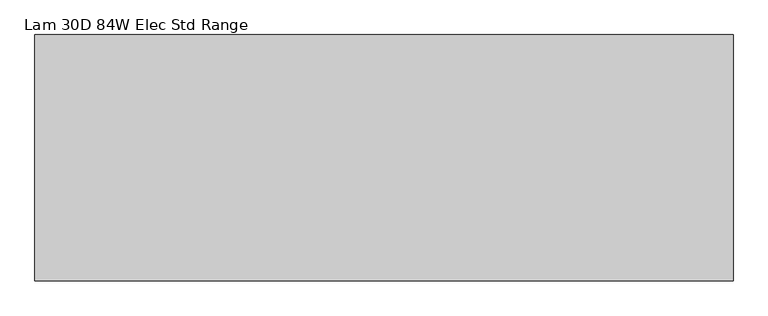
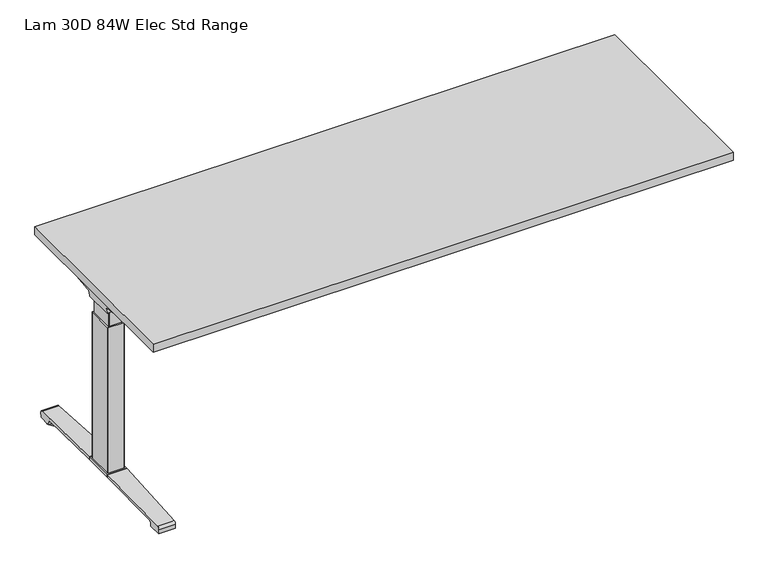
"""IFC4 building model written with IfcOpenShell, lengths in millimetres: furniture geometry, Lam 30D 84W Elec Std Range."""

from ifc_helpers import new_model, si_unit, point, frame, frame_2d, origin, place, context, project, spatial, polyline, circle_curve, ellipse_curve, trimmed, segment, composite_curve, outline, extrude, source, transform, mapped, element, save
from ifc_brep_helpers import plane_surface, cylinder_surface, revolved_surface, advanced_brep


def lam_30d_84w_elec_std_range_1bb2c0d5(model_context):
    return source(origin(), model_context, "Body", "SolidModel", [
        extrude(outline(polyline([(1039.876, 366.776), (1039.876, -366.776), (-1039.876, -366.776), (-1039.876, 366.776), (1039.876, 366.776)])), frame((0.0, 0.0, 707.009), z_axis=(0.0, 0.0, 1.0), x_axis=(1.0, 0.0, 0.0)), (0.0, 0.0, 1.0), 29.591),
        advanced_brep(
        [(-1023.5406297, 53.5092702, 658.5915733), (-857.8122138, 53.5092702, 658.5915733), (-872.1924181, 51.2808169, 655.9442785), (-1021.0518591, 51.2808169, 655.9442785), (-1023.7625278, 53.518256, 658.8276054), (-1026.1619089, 54.1622827, 675.7443054), (-843.3773962, 54.1622827, 675.7443054), (-843.3773962, 53.8142965, 666.6037253), (-846.2075093, 53.7331058, 664.4710821), (-846.3501644, 53.6554397, 662.4310191), (-1027.0185362, 59.6293181, 681.7839076), (-843.3773962, 59.6293181, 681.7839076), (-1029.5393767, 174.2005225, 699.5569507), (-965.3243442, 174.2005225, 699.5569507), (-843.3773962, 93.3958, 687.0219877), (-1029.6128152, 177.9765275, 700.0747243), (-971.0229255, 177.9765275, 700.0747243), (-1030.2871296, 179.4867839, 704.8289399), (-1028.5021288, 176.9098888, 707.009), (-969.4132011, 176.9098888, 707.009), (-1030.2871296, -179.4867839, 704.8289399), (-1029.6128152, -177.9765275, 700.0747243), (-971.0229255, -177.9765275, 700.0747243), (-969.4132011, -176.9098888, 707.009), (-1028.5021288, -176.9098888, 707.009), (-1029.5393767, -174.2005225, 699.5569507), (-965.3243442, -174.2005225, 699.5569507), (-1027.0185362, -59.6293181, 681.7839076), (-843.3773962, -59.6293181, 681.7839076), (-843.3773962, -93.3958, 687.0219877), (-1026.1619089, -54.1622827, 675.7443054), (-843.3773962, -54.1622827, 675.7443054), (-1023.7625278, -53.518256, 658.8276054), (-1023.5406297, -53.5092702, 658.5915733), (-857.8122138, -53.5092702, 658.5915733), (-846.3501644, -53.6554397, 662.4310191), (-846.2075093, -53.7331058, 664.4710821), (-843.3773962, -53.8142965, 666.6037253), (-1021.0518591, -51.2808169, 655.9442785), (-872.1924181, -51.2808169, 655.9442785), (-843.3773962, -93.3958, 707.009), (-843.3773962, 93.3958, 707.009)],
        [
            (0, 1),
            (1, 2, ellipse_curve(frame((-882.0936465, 130.5470009, 750.1086722), z_axis=(0.0, 0.7650318638532662, -0.6439924279750482), x_axis=(0.0, 0.6439924279750482, 0.7650318638532662)), 123.7641411, 94.6835116)),
            (2, 3),
            (3, 0),
            (0, 4),
            (4, 5),
            (5, 6),
            (6, 7),
            (7, 8),
            (8, 9),
            (9, 1, ellipse_curve(frame((-882.0936465, 56.9933686, 750.1086722), z_axis=(0.0, 0.999276106683639, -0.03804290487316255), x_axis=(0.0, 0.03804290487316397, 0.999276106683639)), 94.752102, 94.6835116)),
            (5, 10, ellipse_curve(frame((-1026.1119691, 60.6208409, 675.3922075), z_axis=(-0.990090671484964, 0.0, -0.14042956326377007), x_axis=(-0.1404295632637696, 0.0, 0.990090671484964)), 6.5328852, 6.4681487)),
            (10, 11),
            (11, 6, circle_curve(frame((-843.3773962, 60.6208409, 675.3922075), z_axis=(1.0, 0.0, 0.0), x_axis=(0.0, 1.0, 0.0)), 6.4681487)),
            (10, 12),
            (12, 13),
            (13, 14),
            (14, 11),
            (12, 15),
            (15, 16),
            (16, 13),
            (15, 17, ellipse_curve(frame((-1030.0730772, 175.9994111, 703.3197755), z_axis=(0.990090671484964, 0.0, 0.14042956326377007), x_axis=(0.1404295632637696, 0.0, -0.990090671484964)), 3.8379455, 3.7999141)),
            (17, 18, ellipse_curve(frame((-1031.522811, 175.9994111, 703.3197755), z_axis=(0.7737284588433301, 0.0, -0.6335173809580328), x_axis=(0.6335173809580328, 0.0, 0.77372845884333)), 4.9111727, 3.7999141)),
            (18, 19),
            (19, 16, ellipse_curve(frame((-968.039148, 175.9994111, 703.3197755), z_axis=(-0.5523637579768177, -0.8336031902972346, 0.0), x_axis=(0.8336031902972346, -0.5523637579768177, 0.0)), 6.8793689, 3.7999141)),
            (20, 21, ellipse_curve(frame((-1030.0730772, -175.9994111, 703.3197755), z_axis=(0.990090671484964, 0.0, 0.14042956326377007), x_axis=(0.1404295632637696, 0.0, -0.990090671484964)), 3.8379455, 3.7999141)),
            (21, 22),
            (22, 23, ellipse_curve(frame((-968.039148, -175.9994111, 703.3197755), z_axis=(-0.5523637579750422, 0.8336031902984112, 0.0), x_axis=(0.8336031902984111, 0.5523637579750423, 0.0)), 6.8793689, 3.7999141)),
            (23, 24),
            (24, 20, ellipse_curve(frame((-1031.522811, -175.9994111, 703.3197755), z_axis=(0.7737284588433301, 0.0, -0.6335173809580328), x_axis=(0.6335173809580328, 0.0, 0.77372845884333)), 4.9111727, 3.7999141)),
            (21, 25),
            (25, 26),
            (26, 22),
            (27, 28),
            (28, 29),
            (29, 26),
            (25, 27),
            (27, 30, ellipse_curve(frame((-1026.1119691, -60.6208409, 675.3922075), z_axis=(-0.990090671484964, 0.0, -0.14042956326377007), x_axis=(-0.1404295632637696, 0.0, 0.990090671484964)), 6.5328852, 6.4681487)),
            (30, 31),
            (31, 28, circle_curve(frame((-843.3773962, -60.6208409, 675.3922075), z_axis=(1.0, 0.0, 0.0), x_axis=(0.0, 1.0, 0.0)), 6.4681487)),
            (30, 32),
            (32, 33),
            (33, 34),
            (34, 35, ellipse_curve(frame((-882.0936465, -56.9933686, 750.1086722), z_axis=(0.0, -0.9992761066836363, -0.03804290487323539), x_axis=(0.0, 0.03804290487323121, -0.9992761066836364)), 94.752102, 94.6835116)),
            (35, 36),
            (36, 37),
            (37, 31),
            (33, 38),
            (38, 39),
            (39, 34, ellipse_curve(frame((-882.0936465, -130.5470009, 750.1086722), z_axis=(0.0, -0.7650318638534733, -0.643992427974802), x_axis=(0.0, 0.643992427974802, -0.7650318638534732)), 123.7641411, 94.6835116)),
            (4, 32),
            (20, 17),
            (24, 18),
            (23, 40),
            (40, 41),
            (41, 19),
            (37, 7),
            (14, 41),
            (40, 29),
            (36, 8),
            (35, 9),
            (39, 2),
            (38, 3),
        ],
        [
            plane_surface(frame((-1046.5773962, 51.2808169, 655.9442785), z_axis=(0.0, 0.7650318638532662, -0.6439924279750482), x_axis=(1.0, 0.0, 0.0))),
            plane_surface(frame((-1046.5773962, 53.5092702, 658.5915733), z_axis=(0.0, 0.999276106683639, -0.03804290487316255), x_axis=(1.0, 0.0, 0.0))),
            revolved_surface(polyline([(-1027.0293793154883, 67.08898959999999, 675.3922075), (-843.3773962, 67.08898959999999, 675.3922075)]), (-1046.5773962, 60.6208409, 675.3922075), (-1.0, 0.0, 0.0)),
            plane_surface(frame((-1046.5773962, 59.6293181, 681.7839076), z_axis=(0.0, 0.153293135871396, -0.9881807600306302), x_axis=(1.0, 0.0, 0.0))),
            plane_surface(frame((-1046.5773962, 174.2005225, 699.5569507), z_axis=(0.0, 0.13585085469026903, -0.9907292996979162), x_axis=(1.0, 0.0, 0.0))),
            cylinder_surface(frame((-1046.5773962, 175.9994111, 703.3197755), z_axis=(1.0, 0.0, 0.0), x_axis=(0.0, 1.0, 0.0)), 3.7999141),
            cylinder_surface(frame((-1046.5773962, -175.9994111, 703.3197755), z_axis=(1.0, 0.0, 0.0), x_axis=(0.0, 1.0, 0.0)), 3.7999141),
            plane_surface(frame((-1046.5773962, -177.9765275, 700.0747243), z_axis=(0.0, -0.13585085468791205, -0.9907292996982394), x_axis=(1.0, 0.0, 0.0))),
            plane_surface(frame((-1046.5773962, -174.2005225, 699.5569507), z_axis=(0.0, -0.1532931358714066, -0.9881807600306285), x_axis=(1.0, 0.0, 0.0))),
            revolved_surface(polyline([(-1027.0293793154883, -54.1526922, 675.3922075), (-843.3773962, -54.1526922, 675.3922075)]), (-1046.5773962, -60.6208409, 675.3922075), (-1.0, 0.0, 0.0)),
            plane_surface(frame((-1046.5773962, -54.1622827, 675.7443054), z_axis=(0.0, -0.9992761066836363, -0.03804290487323539), x_axis=(1.0, 0.0, 0.0))),
            plane_surface(frame((-1046.5773962, -53.5092702, 658.5915733), z_axis=(0.0, -0.7650318638534733, -0.643992427974802), x_axis=(1.0, 0.0, 0.0))),
            plane_surface(frame((-1023.7625278, 190.5, 658.8276054), z_axis=(-0.990090671484964, 0.0, -0.14042956326377007), x_axis=(0.0, -1.0, 0.0))),
            plane_surface(frame((-1030.2871296, 190.5, 704.8289399), z_axis=(-0.7737284588433301, 0.0, 0.6335173809580328), x_axis=(0.0, -1.0, 0.0))),
            plane_surface(frame((-1028.5021288, 190.5, 707.009), z_axis=(0.0, 0.0, 1.0), x_axis=(0.0, -1.0, 0.0))),
            plane_surface(frame((-843.3773962, 190.5, 707.009), z_axis=(1.0, 0.0, 0.0), x_axis=(0.0, -1.0, 0.0))),
            plane_surface(frame((-843.3773962, 190.5, 666.6037253), z_axis=(0.6018150231516275, 0.0, -0.7986355100476099), x_axis=(0.0, -1.0, 0.0))),
            plane_surface(frame((-846.2075093, 190.5, 664.4710821), z_axis=(0.9975640502600351, 0.0, -0.06975647374110874), x_axis=(0.0, -1.0, 0.0))),
            cylinder_surface(frame((-882.0936465, 190.5, 750.1086722), z_axis=(0.0, 1.0, 0.0), x_axis=(1.0, 0.0, 0.0)), 94.6835116),
            plane_surface(frame((-872.1924181, 190.5, 655.9442785), z_axis=(0.0, 0.0, -1.0), x_axis=(0.0, -1.0, 0.0))),
            plane_surface(frame((-1021.0518591, 190.5, 655.9442785), z_axis=(-0.728584606419653, 0.0, -0.6849558170337118), x_axis=(0.0, -1.0, 0.0))),
            plane_surface(frame((-989.9228017, 190.5, 707.009), z_axis=(0.5523637579768177, 0.8336031902972346, 0.0), x_axis=(0.0, 0.0, -1.0))),
            plane_surface(frame((-843.3773962, -93.3958, 707.009), z_axis=(0.5523637579750422, -0.8336031902984112, 0.0), x_axis=(0.0, 0.0, -1.0))),
        ],
        [
            (0, [[1, 2, 3, 4]]),
            (1, [[-1, 5, 6, 7, 8, 9, 10, 11]]),
            (2, [[-7, 12, 13, 14]]),
            (3, [[-13, 15, 16, 17, 18]]),
            (4, [[19, 20, 21, -16]]),
            (5, [[22, 23, 24, 25, -20]]),
            (6, [[26, 27, 28, 29, 30]]),
            (7, [[31, 32, 33, -27]]),
            (8, [[34, 35, 36, -32, 37]]),
            (9, [[-34, 38, 39, 40]]),
            (10, [[-39, 41, 42, 43, 44, 45, 46, 47]]),
            (11, [[-43, 48, 49, 50]]),
            (12, [[51, -41, -38, -37, -31, -26, 52, -22, -19, -15, -12, -6]]),
            (13, [[-52, -30, 53, -23]]),
            (14, [[-53, -29, 54, 55, 56, -24]]),
            (15, [[57, -8, -14, -18, 58, -55, 59, -35, -40, -47]]),
            (16, [[-57, -46, 60, -9]]),
            (17, [[-60, -45, 61, -10]]),
            (18, [[-61, -44, -50, 62, -2, -11]]),
            (19, [[-62, -49, 63, -3]]),
            (20, [[-51, -5, -4, -63, -48, -42]]),
            (21, [[-56, -58, -17, -21, -25]]),
            (22, [[-54, -28, -33, -36, -59]]),
        ],
    ),
        advanced_brep(
        [(857.8122138, 53.5092702, 658.5915733), (1023.5406297, 53.5092702, 658.5915733), (1021.0518591, 51.2808169, 655.9442785), (872.1924181, 51.2808169, 655.9442785), (846.3501644, 53.6554397, 662.4310191), (846.2075093, 53.7331058, 664.4710821), (843.5619573, 53.8090018, 666.4646485), (843.5619573, 54.1622827, 675.7443054), (1026.1619089, 54.1622827, 675.7443054), (1023.7625278, 53.518256, 658.8276054), (843.5619573, 59.6293181, 681.7839076), (1027.0185362, 59.6293181, 681.7839076), (843.5619573, 93.3889953, 687.0209321), (965.3570453, 174.2005225, 699.5569507), (1029.5393767, 174.2005225, 699.5569507), (1029.6128152, 177.9765275, 700.0747243), (971.0480509, 177.9765275, 700.0747243), (1030.2871296, 179.4867839, 704.8289399), (969.4404665, 176.9098888, 707.009), (1028.5021288, 176.9098888, 707.009), (1029.6128152, -177.9765275, 700.0747243), (1030.2871296, -179.4867839, 704.8289399), (1028.5021288, -176.9098888, 707.009), (969.4404665, -176.9098888, 707.009), (971.0480509, -177.9765275, 700.0747243), (1029.5393767, -174.2005225, 699.5569507), (965.3570453, -174.2005225, 699.5569507), (843.5619573, -59.6293181, 681.7839076), (1027.0185362, -59.6293181, 681.7839076), (843.5619573, -93.3889953, 687.0209321), (843.5619573, -54.1622827, 675.7443054), (1026.1619089, -54.1622827, 675.7443054), (843.5619573, -53.8090018, 666.4646485), (846.2075093, -53.7331058, 664.4710821), (846.3501644, -53.6554397, 662.4310191), (857.8122138, -53.5092702, 658.5915733), (1023.5406297, -53.5092702, 658.5915733), (1023.7625278, -53.518256, 658.8276054), (872.1924181, -51.2808169, 655.9442785), (1021.0518591, -51.2808169, 655.9442785), (843.5619573, 93.3889953, 707.009), (843.5619573, -93.3889953, 707.009)],
        [
            (0, 1),
            (1, 2),
            (2, 3),
            (3, 0, ellipse_curve(frame((882.0936465, 130.5470009, 750.1086722), z_axis=(0.0, 0.7650318638532565, -0.6439924279750596), x_axis=(0.0, -0.6439924279750596, -0.7650318638532564)), 123.7641411, 94.6835116)),
            (0, 4, ellipse_curve(frame((882.0936465, 56.9933686, 750.1086722), z_axis=(0.0, 0.9992761066836392, -0.03804290487315862), x_axis=(0.0, -0.03804290487315623, -0.9992761066836393)), 94.752102, 94.6835116)),
            (4, 5),
            (5, 6),
            (6, 7),
            (7, 8),
            (8, 9),
            (9, 1),
            (7, 10, circle_curve(frame((843.5619573, 60.6208409, 675.3922075), z_axis=(-1.0, 0.0, 0.0), x_axis=(0.0, 1.0, 0.0)), 6.4681487)),
            (10, 11),
            (11, 8, ellipse_curve(frame((1026.1119691, 60.6208409, 675.3922075), z_axis=(0.9900906714849659, 0.0, -0.1404295632637567), x_axis=(-0.1404295632637562, 0.0, -0.9900906714849659)), 6.5328852, 6.4681487)),
            (10, 12),
            (12, 13),
            (13, 14),
            (14, 11),
            (15, 14),
            (13, 16),
            (16, 15),
            (17, 15, ellipse_curve(frame((1030.0730772, 175.9994111, 703.3197755), z_axis=(-0.9900906714849659, 0.0, 0.1404295632637567), x_axis=(0.1404295632637562, 0.0, 0.9900906714849659)), 3.8379455, 3.7999141)),
            (16, 18, ellipse_curve(frame((968.06824, 175.9994111, 703.3197755), z_axis=(0.5528743936295489, -0.8332646067539162, 0.0), x_axis=(0.8332646067539162, 0.5528743936295489, 0.0)), 6.8730151, 3.7999141)),
            (18, 19),
            (19, 17, ellipse_curve(frame((1031.522811, 175.9994111, 703.3197755), z_axis=(-0.7737284588399557, 0.0, -0.633517380962154), x_axis=(0.6335173809621538, 0.0, -0.7737284588399556)), 4.9111727, 3.7999141)),
            (20, 21, ellipse_curve(frame((1030.0730772, -175.9994111, 703.3197755), z_axis=(-0.9900906714849659, 0.0, 0.1404295632637567), x_axis=(0.1404295632637562, 0.0, 0.9900906714849659)), 3.8379455, 3.7999141)),
            (21, 22, ellipse_curve(frame((1031.522811, -175.9994111, 703.3197755), z_axis=(-0.7737284588399557, 0.0, -0.633517380962154), x_axis=(0.6335173809621538, 0.0, -0.7737284588399556)), 4.9111727, 3.7999141)),
            (22, 23),
            (23, 24, ellipse_curve(frame((968.06824, -175.9994111, 703.3197755), z_axis=(0.552874393629534, 0.8332646067539262, 0.0), x_axis=(0.8332646067539261, -0.552874393629534, 0.0)), 6.8730151, 3.7999141)),
            (24, 20),
            (25, 20),
            (24, 26),
            (26, 25),
            (27, 28),
            (28, 25),
            (26, 29),
            (29, 27),
            (27, 30, circle_curve(frame((843.5619573, -60.6208409, 675.3922075), z_axis=(-1.0, 0.0, 0.0), x_axis=(0.0, 1.0, 0.0)), 6.4681487)),
            (30, 31),
            (31, 28, ellipse_curve(frame((1026.1119691, -60.6208409, 675.3922075), z_axis=(0.9900906714849659, 0.0, -0.1404295632637567), x_axis=(-0.1404295632637562, 0.0, -0.9900906714849659)), 6.5328852, 6.4681487)),
            (30, 32),
            (32, 33),
            (33, 34),
            (34, 35, ellipse_curve(frame((882.0936465, -56.9933686, 750.1086722), z_axis=(0.0, -0.9992761066836363, -0.03804290487323539), x_axis=(0.0, -0.03804290487323121, 0.9992761066836364)), 94.752102, 94.6835116)),
            (35, 36),
            (36, 37),
            (37, 31),
            (35, 38, ellipse_curve(frame((882.0936465, -130.5470009, 750.1086722), z_axis=(0.0, -0.7650318638534733, -0.643992427974802), x_axis=(0.0, -0.643992427974802, 0.7650318638534732)), 123.7641411, 94.6835116)),
            (38, 39),
            (39, 36),
            (37, 9),
            (17, 21),
            (19, 22),
            (18, 40),
            (40, 41),
            (41, 23),
            (6, 32),
            (29, 41),
            (40, 12),
            (5, 33),
            (4, 34),
            (3, 38),
            (2, 39),
        ],
        [
            plane_surface(frame((843.5619573, 51.2808169, 655.9442785), z_axis=(0.0, 0.7650318638532565, -0.6439924279750596), x_axis=(1.0, 0.0, 0.0))),
            plane_surface(frame((843.5619573, 53.5092702, 658.5915733), z_axis=(0.0, 0.9992761066836392, -0.03804290487315862), x_axis=(1.0, 0.0, 0.0))),
            revolved_surface(polyline([(843.5619573, 67.08898959999999, 675.3922075), (1027.029379315488, 67.08898959999999, 675.3922075)]), (843.5619573, 60.6208409, 675.3922075), (-1.0, 0.0, 0.0)),
            plane_surface(frame((843.5619573, 59.6293181, 681.7839076), z_axis=(0.0, 0.15329313587140309, -0.988180760030629), x_axis=(1.0, 0.0, 0.0))),
            plane_surface(frame((843.5619573, 174.2005225, 699.5569507), z_axis=(0.0, 0.1358508546900816, -0.9907292996979419), x_axis=(1.0, 0.0, 0.0))),
            cylinder_surface(frame((843.5619573, 175.9994111, 703.3197755), z_axis=(1.0, 0.0, 0.0), x_axis=(0.0, 1.0, 0.0)), 3.7999141),
            cylinder_surface(frame((843.5619573, -175.9994111, 703.3197755), z_axis=(1.0, 0.0, 0.0), x_axis=(0.0, 1.0, 0.0)), 3.7999141),
            plane_surface(frame((843.5619573, -177.9765275, 700.0747243), z_axis=(0.0, -0.1358508546877776, -0.9907292996982578), x_axis=(1.0, 0.0, 0.0))),
            plane_surface(frame((843.5619573, -174.2005225, 699.5569507), z_axis=(0.0, -0.15329313587141113, -0.9881807600306277), x_axis=(1.0, 0.0, 0.0))),
            revolved_surface(polyline([(843.5619573, -54.1526922, 675.3922075), (1027.029379315488, -54.1526922, 675.3922075)]), (843.5619573, -60.6208409, 675.3922075), (-1.0, 0.0, 0.0)),
            plane_surface(frame((843.5619573, -54.1622827, 675.7443054), z_axis=(0.0, -0.9992761066836363, -0.03804290487323539), x_axis=(1.0, 0.0, 0.0))),
            plane_surface(frame((843.5619573, -53.5092702, 658.5915733), z_axis=(0.0, -0.7650318638534733, -0.643992427974802), x_axis=(1.0, 0.0, 0.0))),
            plane_surface(frame((1023.7625278, -190.5, 658.8276054), z_axis=(0.9900906714849659, 0.0, -0.1404295632637567), x_axis=(0.0, 1.0, 0.0))),
            plane_surface(frame((1030.2871296, -190.5, 704.8289399), z_axis=(0.7737284588399557, 0.0, 0.633517380962154), x_axis=(0.0, 1.0, 0.0))),
            plane_surface(frame((1028.5021288, -190.5, 707.009), z_axis=(0.0, 0.0, 1.0), x_axis=(0.0, 1.0, 0.0))),
            plane_surface(frame((843.5619573, -190.5, 707.009), z_axis=(-1.0, 0.0, 0.0), x_axis=(0.0, 1.0, 0.0))),
            plane_surface(frame((843.5619573, -190.5, 666.4646485), z_axis=(-0.6018150231540728, 0.0, -0.7986355100457674), x_axis=(0.0, 1.0, 0.0))),
            plane_surface(frame((846.2075093, -190.5, 664.4710821), z_axis=(-0.9975640502598242, 0.0, -0.06975647374412697), x_axis=(0.0, 1.0, 0.0))),
            cylinder_surface(frame((882.0936465, -190.5, 750.1086722), z_axis=(0.0, -1.0, 0.0), x_axis=(-1.0, 0.0, 0.0)), 94.6835116),
            plane_surface(frame((872.1924181, -190.5, 655.9442785), z_axis=(0.0, 0.0, -1.0), x_axis=(0.0, 1.0, 0.0))),
            plane_surface(frame((1021.0518591, -190.5, 655.9442785), z_axis=(0.7285846064222866, 0.0, -0.6849558170309101), x_axis=(0.0, 1.0, 0.0))),
            plane_surface(frame((843.5619573, 93.3889953, 707.009), z_axis=(-0.5528743936295489, 0.8332646067539162, 0.0), x_axis=(0.0, 0.0, -1.0))),
            plane_surface(frame((989.9228017, -190.5, 707.009), z_axis=(-0.552874393629534, -0.8332646067539262, 0.0), x_axis=(0.0, 0.0, -1.0))),
        ],
        [
            (0, [[1, 2, 3, 4]]),
            (1, [[-1, 5, 6, 7, 8, 9, 10, 11]]),
            (2, [[-9, 12, 13, 14]]),
            (3, [[-13, 15, 16, 17, 18]]),
            (4, [[19, -17, 20, 21]]),
            (5, [[22, -21, 23, 24, 25]]),
            (6, [[26, 27, 28, 29, 30]]),
            (7, [[31, -30, 32, 33]]),
            (8, [[34, 35, -33, 36, 37]]),
            (9, [[-34, 38, 39, 40]]),
            (10, [[-39, 41, 42, 43, 44, 45, 46, 47]]),
            (11, [[-45, 48, 49, 50]]),
            (12, [[51, -10, -14, -18, -19, -22, 52, -26, -31, -35, -40, -47]]),
            (13, [[-52, -25, 53, -27]]),
            (14, [[-53, -24, 54, 55, 56, -28]]),
            (15, [[57, -41, -38, -37, 58, -55, 59, -15, -12, -8]]),
            (16, [[-57, -7, 60, -42]]),
            (17, [[-60, -6, 61, -43]]),
            (18, [[-61, -5, -4, 62, -48, -44]]),
            (19, [[-62, -3, 63, -49]]),
            (20, [[-51, -46, -50, -63, -2, -11]]),
            (21, [[-54, -23, -20, -16, -59]]),
            (22, [[-56, -58, -36, -32, -29]]),
        ],
    ),
        advanced_brep(
        [(-843.3773962, 78.6831697, 701.7794894), (-843.3773962, 80.4475242, 704.0075511), (-843.3773962, 91.4281225, 704.0075511), (-843.3773962, 92.1582919, 701.4093085), (-843.3773962, 70.7319108, 671.8462148), (-843.3773962, 53.3310914, 663.2452863), (-843.3773962, -53.4567844, 663.2452863), (-843.3773962, -71.0845783, 672.2997482), (-843.3773962, -92.4192862, 702.0706054), (-843.3773962, -90.7807234, 704.1266572), (-843.3773962, -80.5655902, 704.1266572), (-843.3773962, -78.6946152, 701.7794894), (-843.3773962, -79.4358363, 701.2423822), (-843.3773962, -81.0060637, 703.2122572), (-843.3773962, -90.6846762, 703.2122572), (-843.3773962, -91.4905649, 702.3444366), (-843.3773962, -70.3413256, 672.8323858), (-843.3773962, -53.4567844, 664.1598536), (-843.3773962, 53.3310914, 664.1596863), (-843.3773962, 69.99844, 672.3923713), (-843.3773962, 91.3521627, 701.8552144), (-843.3773962, 91.0948942, 703.0931511), (-843.3773962, 80.889809, 703.0931511), (-843.3773962, 79.4242719, 701.2424419), (843.5619573, 78.6831697, 701.7794894), (843.5619573, 79.4242719, 701.2424419), (843.5619573, 80.889809, 703.0931511), (843.5619573, 91.0948942, 703.0931511), (843.5619573, 91.3521627, 701.8552144), (843.5619573, 69.99844, 672.3923713), (843.5619573, 53.3310914, 664.1596863), (843.5619573, -53.4567845, 664.1596863), (843.5619573, -70.3413256, 672.8323858), (843.5619573, -91.4905649, 702.3444366), (843.5619573, -90.6846762, 703.2122572), (843.5619573, -81.0060637, 703.2122572), (843.5619573, -79.4358363, 701.2423822), (843.5619573, -78.6946152, 701.7794894), (843.5619573, -80.5655902, 704.1266572), (843.5619573, -90.7807234, 704.1266572), (843.5619573, -92.4192862, 702.0706054), (843.5619573, -71.0845783, 672.2997482), (843.5619573, -53.4567844, 663.2454536), (843.5619573, 53.3310914, 663.2452863), (843.5619573, 70.7319108, 671.8462148), (843.5619573, 92.1582919, 701.4093085), (843.5619573, 91.4281225, 704.0075511), (843.5619573, 80.4475242, 704.0075511)],
        [
            (0, 1),
            (1, 2),
            (2, 3, circle_curve(frame((-843.3773962, 90.2105576, 702.2636667), z_axis=(-1.0, 0.0, 0.0), x_axis=(0.0, 1.0, 0.0)), 2.1268749)),
            (3, 4),
            (4, 5, circle_curve(frame((-843.3773962, 53.3310914, 685.1478336), z_axis=(-1.0, 0.0, 0.0), x_axis=(0.0, 1.0, 0.0)), 21.9025472)),
            (5, 6),
            (6, 7, circle_curve(frame((-843.3773962, -53.4567844, 684.932365), z_axis=(-1.0, 0.0, 0.0), x_axis=(0.0, 1.0, 0.0)), 21.6869114)),
            (7, 8),
            (8, 9, circle_curve(frame((-843.3773962, -90.4189365, 702.1573833), z_axis=(-1.0, 0.0, 0.0), x_axis=(0.0, 1.0, 0.0)), 2.0022311)),
            (9, 10),
            (10, 11),
            (11, 12),
            (12, 13),
            (13, 14),
            (14, 15, circle_curve(frame((-843.3773962, -90.4189365, 702.1573833), z_axis=(1.0, 0.0, 0.0), x_axis=(0.0, 1.0, 0.0)), 1.0878311)),
            (15, 16),
            (16, 17, circle_curve(frame((-843.3773962, -53.4567844, 684.932365), z_axis=(1.0, 0.0, 0.0), x_axis=(0.0, 1.0, 0.0)), 20.7725114)),
            (17, 18),
            (18, 19, circle_curve(frame((-843.3773962, 53.3310914, 685.1478336), z_axis=(1.0, 0.0, 0.0), x_axis=(0.0, 1.0, 0.0)), 20.9881473)),
            (19, 20),
            (20, 21, circle_curve(frame((-843.3773962, 90.2105576, 702.2636667), z_axis=(1.0, 0.0, 0.0), x_axis=(0.0, 1.0, 0.0)), 1.2124749)),
            (21, 22),
            (22, 23),
            (23, 0),
            (24, 25),
            (25, 26),
            (26, 27),
            (27, 28, circle_curve(frame((843.5619573, 90.2105576, 702.2636667), z_axis=(-1.0, 0.0, 0.0), x_axis=(0.0, 1.0, 0.0)), 1.2124749)),
            (28, 29),
            (29, 30, circle_curve(frame((843.5619573, 53.3310914, 685.1478336), z_axis=(-1.0, 0.0, 0.0), x_axis=(0.0, 1.0, 0.0)), 20.9881473)),
            (30, 31),
            (31, 32, circle_curve(frame((843.5619573, -53.4567844, 684.932365), z_axis=(-1.0, 0.0, 0.0), x_axis=(0.0, 1.0, 0.0)), 20.7725114)),
            (32, 33),
            (33, 34, circle_curve(frame((843.5619573, -90.4189365, 702.1573833), z_axis=(-1.0, 0.0, 0.0), x_axis=(0.0, 1.0, 0.0)), 1.0878311)),
            (34, 35),
            (35, 36),
            (36, 37),
            (37, 38),
            (38, 39),
            (39, 40, circle_curve(frame((843.5619573, -90.4189365, 702.1573833), z_axis=(1.0, 0.0, 0.0), x_axis=(0.0, 1.0, 0.0)), 2.0022311)),
            (40, 41),
            (41, 42, circle_curve(frame((843.5619573, -53.4567844, 684.932365), z_axis=(1.0, 0.0, 0.0), x_axis=(0.0, 1.0, 0.0)), 21.6869114)),
            (42, 43),
            (43, 44, circle_curve(frame((843.5619573, 53.3310914, 685.1478336), z_axis=(1.0, 0.0, 0.0), x_axis=(0.0, 1.0, 0.0)), 21.9025472)),
            (44, 45),
            (45, 46, circle_curve(frame((843.5619573, 90.2105576, 702.2636667), z_axis=(1.0, 0.0, 0.0), x_axis=(0.0, 1.0, 0.0)), 2.1268749)),
            (46, 47),
            (47, 24),
            (0, 24),
            (47, 1),
            (46, 2),
            (45, 3),
            (44, 4),
            (43, 5),
            (42, 6),
            (41, 7),
            (40, 8),
            (39, 9),
            (38, 10),
            (37, 11),
            (36, 12),
            (35, 13),
            (34, 14),
            (33, 15),
            (32, 16),
            (31, 17),
            (30, 18),
            (29, 19),
            (28, 20),
            (27, 21),
            (26, 22),
            (25, 23),
        ],
        [
            plane_surface(frame((-843.3773962, 0.0, 707.009), z_axis=(-1.0, 0.0, 0.0), x_axis=(0.0, 0.0, 1.0))),
            plane_surface(frame((843.5619573, 0.0, 707.009), z_axis=(1.0, 0.0, 0.0), x_axis=(0.0, 0.0, 1.0))),
            plane_surface(frame((-843.3773962, 78.6831697, 701.7794894), z_axis=(0.0, -0.7839649337165058, 0.6208051084703434), x_axis=(1.0, 0.0, 0.0))),
            plane_surface(frame((-843.3773962, 80.4475242, 704.0075511), z_axis=(0.0, 0.0, 1.0), x_axis=(1.0, 0.0, 0.0))),
            cylinder_surface(frame((-843.3773962, 90.2105576, 702.2636667), z_axis=(-1.0, 0.0, 0.0), x_axis=(0.0, 1.0, 0.0)), 2.1268749),
            plane_surface(frame((-843.3773962, 92.1582919, 701.4093085), z_axis=(0.0, 0.8096997445281038, -0.586844377762217), x_axis=(1.0, 0.0, 0.0))),
            cylinder_surface(frame((-843.3773962, 53.3310914, 685.1478336), z_axis=(-1.0, 0.0, 0.0), x_axis=(0.0, 1.0, 0.0)), 21.9025472),
            plane_surface(frame((-843.3773962, 53.3310914, 663.2452863), z_axis=(0.0, 0.0, -1.0), x_axis=(1.0, 0.0, 0.0))),
            cylinder_surface(frame((-843.3773962, -53.4567844, 684.932365), z_axis=(-1.0, 0.0, 0.0), x_axis=(0.0, 1.0, 0.0)), 21.6869114),
            plane_surface(frame((-843.3773962, -71.0845783, 672.2997482), z_axis=(0.0, -0.8128309997561537, -0.5824995844079305), x_axis=(1.0, 0.0, 0.0))),
            cylinder_surface(frame((-843.3773962, -90.4189365, 702.1573833), z_axis=(-1.0, 0.0, 0.0), x_axis=(0.0, 1.0, 0.0)), 2.0022311),
            plane_surface(frame((-843.3773962, -90.7807234, 704.1266572), z_axis=(0.0, 0.0, 1.0), x_axis=(1.0, 0.0, 0.0))),
            plane_surface(frame((-843.3773962, -80.5655902, 704.1266572), z_axis=(0.0, 0.7819660587237972, 0.6233210112004657), x_axis=(1.0, 0.0, 0.0))),
            plane_surface(frame((-843.3773962, -78.6946152, 701.7794894), z_axis=(0.0, 0.5867684336468096, -0.8097547809526473), x_axis=(1.0, 0.0, 0.0))),
            plane_surface(frame((-843.3773962, -79.4358363, 701.2423822), z_axis=(0.0, -0.7819660587239206, -0.6233210112003109), x_axis=(1.0, 0.0, 0.0))),
            plane_surface(frame((-843.3773962, -81.0060637, 703.2122572), z_axis=(0.0, 0.0, -1.0), x_axis=(1.0, 0.0, 0.0))),
            revolved_surface(polyline([(843.5619572999999, -89.3311054, 702.1573833), (-843.3773962, -89.3311054, 702.1573833)]), (-843.3773962, -90.4189365, 702.1573833), (1.0, 0.0, 0.0)),
            plane_surface(frame((-843.3773962, -91.4905649, 702.3444366), z_axis=(0.0, 0.8128309996716102, 0.582499584525904), x_axis=(1.0, 0.0, 0.0))),
            revolved_surface(polyline([(843.5619572999999, -32.684273, 684.932365), (-843.3773962, -32.684273, 684.932365)]), (-843.3773962, -53.4567844, 684.932365), (1.0, 0.0, 0.0)),
            plane_surface(frame((-843.3773962, -53.4567845, 664.1596863), z_axis=(0.0, 0.0, 1.0), x_axis=(1.0, 0.0, 0.0))),
            revolved_surface(polyline([(843.5619572999999, 74.3192387, 685.1478336), (-843.3773962, 74.3192387, 685.1478336)]), (-843.3773962, 53.3310914, 685.1478336), (1.0, 0.0, 0.0)),
            plane_surface(frame((-843.3773962, 69.99844, 672.3923713), z_axis=(0.0, -0.8096997449536107, 0.5868443771751228), x_axis=(1.0, 0.0, 0.0))),
            revolved_surface(polyline([(843.5619572999999, 91.4230325, 702.2636667), (-843.3773962, 91.4230325, 702.2636667)]), (-843.3773962, 90.2105576, 702.2636667), (1.0, 0.0, 0.0)),
            plane_surface(frame((-843.3773962, 91.0948942, 703.0931511), z_axis=(0.0, 0.0, -1.0), x_axis=(1.0, 0.0, 0.0))),
            plane_surface(frame((-843.3773962, 80.889809, 703.0931511), z_axis=(0.0, 0.7839649337164979, -0.6208051084703533), x_axis=(1.0, 0.0, 0.0))),
            plane_surface(frame((-843.3773962, 79.4242719, 701.2424419), z_axis=(0.0, -0.5867873637752554, -0.8097410633737715), x_axis=(1.0, 0.0, 0.0))),
        ],
        [
            (0, [[1, 2, 3, 4, 5, 6, 7, 8, 9, 10, 11, 12, 13, 14, 15, 16, 17, 18, 19, 20, 21, 22, 23, 24]]),
            (1, [[25, 26, 27, 28, 29, 30, 31, 32, 33, 34, 35, 36, 37, 38, 39, 40, 41, 42, 43, 44, 45, 46, 47, 48]]),
            (2, [[-1, 49, -48, 50]]),
            (3, [[-2, -50, -47, 51]]),
            (4, [[-3, -51, -46, 52]]),
            (5, [[-4, -52, -45, 53]]),
            (6, [[-5, -53, -44, 54]]),
            (7, [[-6, -54, -43, 55]]),
            (8, [[-7, -55, -42, 56]]),
            (9, [[-8, -56, -41, 57]]),
            (10, [[-9, -57, -40, 58]]),
            (11, [[-10, -58, -39, 59]]),
            (12, [[-11, -59, -38, 60]]),
            (13, [[-12, -60, -37, 61]]),
            (14, [[-13, -61, -36, 62]]),
            (15, [[-14, -62, -35, 63]]),
            (16, [[-15, -63, -34, 64]]),
            (17, [[-16, -64, -33, 65]]),
            (18, [[-17, -65, -32, 66]]),
            (19, [[-18, -66, -31, 67]]),
            (20, [[-19, -67, -30, 68]]),
            (21, [[-20, -68, -29, 69]]),
            (22, [[-21, -69, -28, 70]]),
            (23, [[-22, -70, -27, 71]]),
            (24, [[-23, -71, -26, 72]]),
            (25, [[-24, -72, -25, -49]]),
        ],
    ),
        extrude(outline(composite_curve([segment(polyline([(-85.2357617, 705.3739712), (-93.5160102, 705.3739712), (-94.0273408, 704.3565876), (-71.001647, 672.4872047)]), True, "CONTINUOUS"), segment(trimmed(circle_curve(frame_2d((-52.8576186, 688.0741393)), 23.9198306), [point((-71.001647, 672.4872047))], [point((-52.8576186, 664.1543087))], True, "CARTESIAN"), True, "CONTINUOUS"), segment(polyline([(-52.8576186, 664.1543087), (160.8304611, 664.1543087)]), True, "CONTINUOUS"), segment(trimmed(circle_curve(frame_2d((161.6245677, 686.2522042)), 22.1121593), [point((160.8304611, 664.1543087))], [point((179.5297793, 673.2771903))], True, "CARTESIAN"), True, "CONTINUOUS"), segment(polyline([(179.5297793, 673.2771903), (201.4820672, 703.5708273), (202.2225039, 703.0342821), (180.2702102, 672.740637)]), True, "CONTINUOUS"), segment(trimmed(circle_curve(frame_2d((161.6245677, 686.2522042)), 23.0265593), [point((180.2702102, 672.740637))], [point((160.814203, 663.2399087))], False, "CARTESIAN"), True, "CONTINUOUS"), segment(polyline([(160.814203, 663.2399087), (-52.8576186, 663.2399087)]), True, "CONTINUOUS"), segment(trimmed(circle_curve(frame_2d((-52.8576186, 688.0741393)), 24.8342306), [point((-52.8576186, 663.2399087))], [point((-71.7205231, 671.9208163))], False, "CARTESIAN"), True, "CONTINUOUS"), segment(polyline([(-71.7205231, 671.9208163), (-95.0936869, 704.2711252), (-94.0798316, 706.2883712), (-84.9968781, 706.2883712), (-85.2357617, 705.3739712)]), True, "CONTINUOUS")], self_intersect=False)), frame((-843.3773962, 0.0, 0.0), z_axis=(1.0, 0.0, 0.0), x_axis=(0.0, 1.0, 0.0)), (0.0, 0.0, 1.0), 1686.9393535),
        advanced_brep(
        [(967.1283088, 44.7482497, 655.9442785), (964.3624028, 42.3950111, 655.9442785), (964.3624028, -42.3786142, 655.9442785), (967.4159671, -44.728013, 655.9442785), (1010.7299922, -44.7482497, 655.9442785), (1013.7895972, -42.3785064, 655.9442785), (1013.7895972, 42.3950956, 655.9442785), (1011.0236912, 44.7482497, 655.9442785), (967.1283088, 44.7482497, 599.0990785), (1011.0236912, 44.7482497, 599.0990785), (1013.7895972, 42.3950956, 599.0990785), (1013.7895972, -42.3785064, 599.0990785), (1010.7360098, -44.7280077, 599.0990785), (967.4220078, -44.7482497, 599.0990785), (964.3624028, -42.3786142, 599.0990785), (964.3624028, 42.3950111, 599.0990785)],
        [
            (0, 1, circle_curve(frame((967.4300788, 41.5914719, 655.9442785), z_axis=(0.0, 0.0, 1.0), x_axis=(1.0, 0.0, 0.0)), 3.1711688)),
            (1, 2),
            (2, 3, circle_curve(frame((967.4159671, -41.568922, 655.9442785), z_axis=(0.0, 0.0, 1.0), x_axis=(1.0, 0.0, 0.0)), 3.1590911)),
            (3, 4),
            (4, 5, circle_curve(frame((1010.7360098, -41.568922, 655.9442785), z_axis=(0.0, 0.0, 1.0), x_axis=(1.0, 0.0, 0.0)), 3.1590858)),
            (5, 6),
            (6, 7, circle_curve(frame((1010.7219439, 41.5914698, 655.9442785), z_axis=(0.0, 0.0, 1.0), x_axis=(1.0, 0.0, 0.0)), 3.1711687)),
            (7, 0),
            (8, 9),
            (9, 10, circle_curve(frame((1010.7219439, 41.5914698, 599.0990785), z_axis=(0.0, 0.0, -1.0), x_axis=(1.0, 0.0, 0.0)), 3.1711687)),
            (10, 11),
            (11, 12, circle_curve(frame((1010.7360098, -41.568922, 599.0990785), z_axis=(0.0, 0.0, -1.0), x_axis=(1.0, 0.0, 0.0)), 3.1590858)),
            (12, 13),
            (13, 14, circle_curve(frame((967.4159671, -41.568922, 599.0990785), z_axis=(0.0, 0.0, -1.0), x_axis=(1.0, 0.0, 0.0)), 3.1590911)),
            (14, 15),
            (15, 8, circle_curve(frame((967.4300788, 41.5914719, 599.0990785), z_axis=(0.0, 0.0, -1.0), x_axis=(1.0, 0.0, 0.0)), 3.1711688)),
            (7, 9),
            (8, 0),
            (6, 10),
            (5, 11),
            (4, 12),
            (3, 13),
            (2, 14),
            (1, 15),
        ],
        [
            plane_surface(frame((970.6012476, 41.5914719, 655.9442785), z_axis=(0.0, 0.0, 1.0), x_axis=(0.0, 1.0, 0.0))),
            plane_surface(frame((970.6012476, 41.5914719, 599.0990785), z_axis=(0.0, 0.0, -1.0), x_axis=(0.0, -1.0, 0.0))),
            plane_surface(frame((1011.0236912, 44.7482497, 655.9442785), z_axis=(0.0, 1.0, 0.0), x_axis=(0.0, 0.0, -1.0))),
            cylinder_surface(frame((1010.7219439, 41.5914698, 599.0990785), z_axis=(0.0, 0.0, 1.0), x_axis=(1.0, 0.0, 0.0)), 3.1711687),
            plane_surface(frame((1013.7895972, -42.3785064, 655.9442785), z_axis=(1.0, 0.0, 0.0), x_axis=(0.0, 0.0, -1.0))),
            cylinder_surface(frame((1010.7360098, -41.568922, 599.0990785), z_axis=(0.0, 0.0, 1.0), x_axis=(1.0, 0.0, 0.0)), 3.1590858),
            plane_surface(frame((967.4220078, -44.7482497, 655.9442785), z_axis=(0.0, -1.0, 0.0), x_axis=(0.0, 0.0, -1.0))),
            cylinder_surface(frame((967.4159671, -41.568922, 599.0990785), z_axis=(0.0, 0.0, 1.0), x_axis=(1.0, 0.0, 0.0)), 3.1590911),
            plane_surface(frame((964.3624028, 42.3950111, 655.9442785), z_axis=(-1.0, 0.0, 0.0), x_axis=(0.0, 0.0, -1.0))),
            cylinder_surface(frame((967.4300788, 41.5914719, 599.0990785), z_axis=(0.0, 0.0, 1.0), x_axis=(1.0, 0.0, 0.0)), 3.1711688),
        ],
        [
            (0, [[1, 2, 3, 4, 5, 6, 7, 8]]),
            (1, [[9, 10, 11, 12, 13, 14, 15, 16]]),
            (2, [[-8, 17, -9, 18]]),
            (3, [[-7, 19, -10, -17]]),
            (4, [[-6, 20, -11, -19]]),
            (5, [[-5, 21, -12, -20]]),
            (6, [[-4, 22, -13, -21]]),
            (7, [[-3, 23, -14, -22]]),
            (8, [[-2, 24, -15, -23]]),
            (9, [[-1, -18, -16, -24]]),
        ],
    ),
        advanced_brep(
        [(-967.1283088, 44.7482497, 655.9442785), (-1011.0236912, 44.7482497, 655.9442785), (-1013.7806448, 42.4285241, 655.9442785), (-1013.7806448, -42.4115492, 655.9442785), (-1010.7360098, -44.7280077, 655.9442785), (-967.4220078, -44.7482497, 655.9442785), (-964.3713552, -42.4116525, 655.9442785), (-964.3713552, 42.4284433, 655.9442785), (-967.1283088, 44.7482497, 599.0990785), (-964.3713552, 42.4284433, 599.0990785), (-964.3713552, -42.4116525, 599.0990785), (-967.4159671, -44.728013, 599.0990785), (-1010.7299922, -44.7482497, 599.0990785), (-1013.7806448, -42.4115492, 599.0990785), (-1013.7806448, 42.4285241, 599.0990785), (-1011.0236912, 44.7482497, 599.0990785)],
        [
            (0, 1),
            (1, 2, circle_curve(frame((-1010.7219439, 41.5914698, 655.9442785), z_axis=(0.0, 0.0, 1.0), x_axis=(-1.0, 0.0, 0.0)), 3.1711687)),
            (2, 3),
            (3, 4, circle_curve(frame((-1010.7360098, -41.568922, 655.9442785), z_axis=(0.0, 0.0, 1.0), x_axis=(-1.0, 0.0, 0.0)), 3.1590858)),
            (4, 5),
            (5, 6, circle_curve(frame((-967.4159671, -41.568922, 655.9442785), z_axis=(0.0, 0.0, 1.0), x_axis=(-1.0, 0.0, 0.0)), 3.1590911)),
            (6, 7),
            (7, 0, circle_curve(frame((-967.4300788, 41.5914719, 655.9442785), z_axis=(0.0, 0.0, 1.0), x_axis=(-1.0, 0.0, 0.0)), 3.1711688)),
            (8, 9, circle_curve(frame((-967.4300788, 41.5914719, 599.0990785), z_axis=(0.0, 0.0, -1.0), x_axis=(-1.0, 0.0, 0.0)), 3.1711688)),
            (9, 10),
            (10, 11, circle_curve(frame((-967.4159671, -41.568922, 599.0990785), z_axis=(0.0, 0.0, -1.0), x_axis=(-1.0, 0.0, 0.0)), 3.1590911)),
            (11, 12),
            (12, 13, circle_curve(frame((-1010.7360098, -41.568922, 599.0990785), z_axis=(0.0, 0.0, -1.0), x_axis=(-1.0, 0.0, 0.0)), 3.1590858)),
            (13, 14),
            (14, 15, circle_curve(frame((-1010.7219439, 41.5914698, 599.0990785), z_axis=(0.0, 0.0, -1.0), x_axis=(-1.0, 0.0, 0.0)), 3.1711687)),
            (15, 8),
            (0, 8),
            (15, 1),
            (14, 2),
            (13, 3),
            (12, 4),
            (11, 5),
            (10, 6),
            (9, 7),
        ],
        [
            plane_surface(frame((-1011.0236912, 44.7482497, 655.9442785), z_axis=(0.0, 0.0, 1.0), x_axis=(-1.0, 0.0, 0.0))),
            plane_surface(frame((-1011.0236912, 44.7482497, 599.0990785), z_axis=(0.0, 0.0, -1.0), x_axis=(1.0, 0.0, 0.0))),
            plane_surface(frame((-967.1283088, 44.7482497, 655.9442785), z_axis=(0.0, 1.0, 0.0), x_axis=(0.0, 0.0, -1.0))),
            cylinder_surface(frame((-1010.7219439, 41.5914698, 599.0990785), z_axis=(0.0, 0.0, 1.0), x_axis=(-1.0, 0.0, 0.0)), 3.1711687),
            plane_surface(frame((-1013.7806448, 42.4285241, 655.9442785), z_axis=(-1.0, 0.0, 0.0), x_axis=(0.0, 0.0, -1.0))),
            cylinder_surface(frame((-1010.7360098, -41.568922, 599.0990785), z_axis=(0.0, 0.0, 1.0), x_axis=(-1.0, 0.0, 0.0)), 3.1590858),
            plane_surface(frame((-1010.7299922, -44.7482497, 655.9442785), z_axis=(0.0, -1.0, 0.0), x_axis=(0.0, 0.0, -1.0))),
            cylinder_surface(frame((-967.4159671, -41.568922, 599.0990785), z_axis=(0.0, 0.0, 1.0), x_axis=(-1.0, 0.0, 0.0)), 3.1590911),
            plane_surface(frame((-964.3713552, -42.4116525, 655.9442785), z_axis=(1.0, 0.0, 0.0), x_axis=(0.0, 0.0, -1.0))),
            cylinder_surface(frame((-967.4300788, 41.5914719, 599.0990785), z_axis=(0.0, 0.0, 1.0), x_axis=(-1.0, 0.0, 0.0)), 3.1711688),
        ],
        [
            (0, [[1, 2, 3, 4, 5, 6, 7, 8]]),
            (1, [[9, 10, 11, 12, 13, 14, 15, 16]]),
            (2, [[-1, 17, -16, 18]]),
            (3, [[-2, -18, -15, 19]]),
            (4, [[-3, -19, -14, 20]]),
            (5, [[-4, -20, -13, 21]]),
            (6, [[-5, -21, -12, 22]]),
            (7, [[-6, -22, -11, 23]]),
            (8, [[-7, -23, -10, 24]]),
            (9, [[-8, -24, -9, -17]]),
        ],
    ),
        advanced_brep(
        [(-959.4014654, 366.395, 26.8186), (-959.2697974, 358.907527, 35.7787117), (-953.9452167, 56.1182127, 48.10013), (-953.9452167, 56.1182127, 38.9541198), (-958.4336749, 311.3603185, 29.0296138), (-958.5383932, 317.3152602, 22.833301), (-958.5580704, 318.4342309, 10.0434261), (-959.3760503, 364.9497362, 10.041053), (-1018.8818447, 358.907527, 35.7787117), (-1018.7501767, 366.395, 26.8186), (-1018.7755918, 364.9497362, 10.041053), (-1019.5935717, 318.4342309, 10.0434261), (-1019.6132489, 317.3152602, 22.833301), (-1019.7179671, 311.3603185, 29.0296138), (-1024.2064255, 56.1182064, 38.9541201), (-1024.2064254, 56.1182127, 48.10013)],
        [
            (0, 1, ellipse_curve(frame((-959.2563169, 358.1409412, 27.5296273), z_axis=(0.9998454179622465, 0.017582382657102918, 0.0), x_axis=(0.01758238265709549, -0.9998454179622466, 0.0)), 8.285908, 8.2846272)),
            (1, 2, ellipse_curve(frame((-929.0232477, -1361.1024809, -38505.5680815), z_axis=(0.9998454179622465, 0.017582382657102918, 0.0), x_axis=(0.01758238265709549, -0.9998454179622466, 0.0)), 38585.6723627, 38579.7077109)),
            (2, 3),
            (3, 4),
            (4, 5, ellipse_curve(frame((-958.4184229, 310.4929906, 22.2364289), z_axis=(-0.9998454179622465, -0.017582382657102918, 0.0), x_axis=(-0.01758238265709549, 0.9998454179622466, 0.0)), 6.8493884, 6.8483297)),
            (5, 6),
            (6, 7),
            (7, 0),
            (8, 9, ellipse_curve(frame((-1018.8953252, 358.1409412, 27.5296273), z_axis=(-0.9998454179622477, 0.017582382657030396, 0.0), x_axis=(0.017582382657032294, 0.9998454179622477, 0.0)), 8.285908, 8.2846272)),
            (9, 10),
            (10, 11),
            (11, 12),
            (12, 13, ellipse_curve(frame((-1019.7332192, 310.4929906, 22.2364289), z_axis=(0.9998454179622477, -0.017582382657030396, 0.0), x_axis=(-0.017582382657032294, -0.9998454179622477, 0.0)), 6.8493884, 6.8483297)),
            (13, 14),
            (14, 15),
            (15, 8, ellipse_curve(frame((-1049.1283944, -1361.1024809, -38505.5680815), z_axis=(-0.9998454179622477, 0.017582382657030396, 0.0), x_axis=(0.017582382657032294, 0.9998454179622477, 0.0)), 38585.6723627, 38579.7077109)),
            (0, 9),
            (8, 1),
            (7, 10),
            (6, 11),
            (5, 12),
            (4, 13),
            (3, 14),
            (2, 15),
        ],
        [
            plane_surface(frame((-959.4293817, 367.9825, 48.10013), z_axis=(0.9998454179622465, 0.017582382657102918, 0.0), x_axis=(0.0, 0.0, -1.0))),
            plane_surface(frame((-1024.2064254, 56.1182127, 48.10013), z_axis=(-0.9998454179622477, 0.017582382657030396, 0.0), x_axis=(0.0, 0.0, -1.0))),
            cylinder_surface(frame((-1024.2067833, 358.1409412, 27.5296273), z_axis=(1.0, 0.0, 0.0), x_axis=(0.0, 1.0, 0.0)), 8.2846272),
            plane_surface(frame((-953.9452167, 364.9497362, 10.041053), z_axis=(0.0, 0.996310236870443, -0.08582489095339331), x_axis=(-1.0, 0.0, 0.0))),
            plane_surface(frame((-953.9452167, 318.4342309, 10.0434261), z_axis=(0.0, -5.101798420220516e-05, -0.9999999986985827), x_axis=(-1.0, 0.0, 0.0))),
            plane_surface(frame((-953.9452167, 317.3152602, 22.833301), z_axis=(0.0, -0.996194687383787, -0.08715586514009757), x_axis=(-1.0, 0.0, 0.0))),
            revolved_surface(polyline([(-1019.8536477678155, 317.3413203, 22.2364289), (-958.2979943321841, 317.3413203, 22.2364289)]), (-1024.2067833, 310.4929906, 22.2364289), (-1.0, 0.0, 0.0)),
            plane_surface(frame((-953.9452167, 56.1182127, 38.9541198), z_axis=(0.0, -0.03885335543750578, -0.9992449233152235), x_axis=(-1.0, 0.0, 0.0))),
            plane_surface(frame((-953.9452167, 56.1182127, 48.10013), z_axis=(0.0, -1.0, 0.0), x_axis=(-1.0, 0.0, 0.0))),
            cylinder_surface(frame((-1024.2067833, -1361.1024809, -38505.5680815), z_axis=(1.0, 0.0, 0.0), x_axis=(0.0, 1.0, 0.0)), 38579.7077109),
        ],
        [
            (0, [[1, 2, 3, 4, 5, 6, 7, 8]]),
            (1, [[9, 10, 11, 12, 13, 14, 15, 16]]),
            (2, [[17, -9, 18, -1]]),
            (3, [[-17, -8, 19, -10]]),
            (4, [[-19, -7, 20, -11]]),
            (5, [[-20, -6, 21, -12]]),
            (6, [[-21, -5, 22, -13]]),
            (7, [[23, -14, -22, -4]]),
            (8, [[-23, -3, 24, -15]]),
            (9, [[-24, -2, -18, -16]]),
        ],
    ),
        extrude(outline(polyline([(-953.9452167, 56.1182127), (-953.9452167, -56.1182127), (-1024.2067833, -56.1182127), (-1024.2067833, 56.1182127), (-953.9452167, 56.1182127)])), frame((0.0, 0.0, 38.9541198), z_axis=(0.0, 0.0, 1.0), x_axis=(1.0, 0.0, 0.0)), (0.0, 0.0, 1.0), 9.1460102),
        advanced_brep(
        [(-959.2697974, -358.907527, 35.7787117), (-1018.8818447, -358.907527, 35.7787117), (-1018.7501767, -366.395, 26.8186), (-959.4014654, -366.395, 26.8186), (-1018.7755918, -364.9497362, 10.041053), (-959.3760503, -364.9497362, 10.041053), (-1019.5935717, -318.4342309, 10.0434261), (-958.5580704, -318.4342309, 10.0434261), (-1019.6132489, -317.3152602, 22.833301), (-958.5383932, -317.3152602, 22.833301), (-1019.7179671, -311.3603185, 29.0296138), (-958.4336749, -311.3603185, 29.0296138), (-1024.2067833, -56.1182127, 38.9541198), (-953.9452167, -56.1182127, 38.9541198), (-1024.2064254, -56.1182127, 48.10013), (-953.9452167, -56.1182127, 48.10013)],
        [
            (0, 1),
            (1, 2, ellipse_curve(frame((-1018.8953252, -358.1409412, 27.5296273), z_axis=(0.9998454179622459, 0.01758238265713039, 0.0), x_axis=(0.01758238265713116, -0.9998454179622459, 0.0)), 8.285908, 8.2846272)),
            (2, 3),
            (3, 0, ellipse_curve(frame((-959.2563169, -358.1409412, 27.5296273), z_axis=(-0.999845417962247, 0.017582382657071804, 0.0), x_axis=(0.01758238265706666, 0.9998454179622471, 0.0)), 8.285908, 8.2846272)),
            (2, 4),
            (4, 5),
            (5, 3),
            (4, 6),
            (6, 7),
            (7, 5),
            (6, 8),
            (8, 9),
            (9, 7),
            (8, 10, ellipse_curve(frame((-1019.7332192, -310.4929906, 22.2364289), z_axis=(-0.9998454179622459, -0.01758238265713039, 0.0), x_axis=(-0.01758238265713116, 0.9998454179622459, 0.0)), 6.8493884, 6.8483297)),
            (10, 11),
            (11, 9, ellipse_curve(frame((-958.4184229, -310.4929906, 22.2364289), z_axis=(0.999845417962247, -0.017582382657071804, 0.0), x_axis=(-0.01758238265706666, -0.9998454179622471, 0.0)), 6.8493884, 6.8483297)),
            (12, 13),
            (13, 11),
            (10, 12),
            (12, 14),
            (14, 15),
            (15, 13),
            (14, 1, ellipse_curve(frame((-1049.1283944, 1361.1024809, -38505.5680815), z_axis=(0.9998454179622459, 0.01758238265713039, 0.0), x_axis=(0.01758238265713116, -0.9998454179622459, 0.0)), 38585.6723627, 38579.7077108)),
            (0, 15, ellipse_curve(frame((-929.0232477, 1361.1024809, -38505.5680815), z_axis=(-0.999845417962247, 0.017582382657071804, 0.0), x_axis=(0.01758238265706666, 0.9998454179622471, 0.0)), 38585.6723627, 38579.7077108)),
        ],
        [
            cylinder_surface(frame((-1024.2067833, -358.1409412, 27.5296273), z_axis=(1.0, 0.0, 0.0), x_axis=(0.0, 1.0, 0.0)), 8.2846272),
            plane_surface(frame((-953.9452167, -366.395, 26.8186), z_axis=(0.0, -0.9963102368704919, -0.08582489095282468), x_axis=(-1.0, 0.0, 0.0))),
            plane_surface(frame((-953.9452167, -364.9497362, 10.041053), z_axis=(0.0, 5.1017983988448817e-05, -0.9999999986985827), x_axis=(-1.0, 0.0, 0.0))),
            plane_surface(frame((-953.9452167, -318.4342309, 10.0434261), z_axis=(0.0, 0.9961946873837947, -0.08715586514001028), x_axis=(-1.0, 0.0, 0.0))),
            revolved_surface(polyline([(-1019.8536477678161, -303.64466089999996, 22.2364289), (-958.2979943321843, -303.64466089999996, 22.2364289)]), (-1024.2067833, -310.4929906, 22.2364289), (-1.0, 0.0, 0.0)),
            plane_surface(frame((-953.9452167, -311.3603185, 29.0296138), z_axis=(0.0, 0.03885335543750165, -0.9992449233152236), x_axis=(-1.0, 0.0, 0.0))),
            plane_surface(frame((-953.9452167, -56.1182127, 38.9541198), z_axis=(0.0, 1.0, 0.0), x_axis=(-1.0, 0.0, 0.0))),
            cylinder_surface(frame((-1024.2067833, 1361.1024809, -38505.5680815), z_axis=(1.0, 0.0, 0.0), x_axis=(0.0, 1.0, 0.0)), 38579.7077108),
            plane_surface(frame((-953.9452167, -56.1182127, 48.10013), z_axis=(0.999845417962247, -0.017582382657071804, 0.0), x_axis=(0.0, 0.0, -1.0))),
            plane_surface(frame((-1018.7222604, -367.9825, 48.10013), z_axis=(-0.9998454179622459, -0.01758238265713039, 0.0), x_axis=(0.0, 0.0, -1.0))),
        ],
        [
            (0, [[1, 2, 3, 4]]),
            (1, [[-3, 5, 6, 7]]),
            (2, [[-6, 8, 9, 10]]),
            (3, [[-9, 11, 12, 13]]),
            (4, [[-12, 14, 15, 16]]),
            (5, [[17, 18, -15, 19]]),
            (6, [[-17, 20, 21, 22]]),
            (7, [[-21, 23, -1, 24]]),
            (8, [[-4, -7, -10, -13, -16, -18, -22, -24]]),
            (9, [[-2, -23, -20, -19, -14, -11, -8, -5]]),
        ],
    ),
        extrude(outline(composite_curve([segment(trimmed(circle_curve(frame_2d((-961.416092, 47.725908)), 2.248592), [point((-961.416092, 49.9745))], [point((-959.1675, 47.725908))], False, "CARTESIAN"), True, "CONTINUOUS"), segment(polyline([(-959.1675, 47.725908), (-959.1675, -47.7258531)]), True, "CONTINUOUS"), segment(trimmed(circle_curve(frame_2d((-961.4161469, -47.7258531)), 2.2486469), [point((-959.1675, -47.7258531))], [point((-961.4161469, -49.9745))], False, "CARTESIAN"), True, "CONTINUOUS"), segment(polyline([(-961.4161469, -49.9745), (-1016.735908, -49.9745)]), True, "CONTINUOUS"), segment(trimmed(circle_curve(frame_2d((-1016.735908, -47.725908)), 2.248592), [point((-1016.735908, -49.9745))], [point((-1018.9845, -47.725908))], False, "CARTESIAN"), True, "CONTINUOUS"), segment(polyline([(-1018.9845, -47.725908), (-1018.9845, 47.725908)]), True, "CONTINUOUS"), segment(trimmed(circle_curve(frame_2d((-1016.735908, 47.725908)), 2.248592), [point((-1018.9845, 47.725908))], [point((-1016.735908, 49.9745))], False, "CARTESIAN"), True, "CONTINUOUS"), segment(polyline([(-1016.735908, 49.9745), (-961.416092, 49.9745)]), True, "CONTINUOUS")], self_intersect=False)), frame((0.0, 0.0, 48.10013), z_axis=(0.0, 0.0, 1.0), x_axis=(1.0, 0.0, 0.0)), (0.0, 0.0, 1.0), 550.9989485),
        advanced_brep(
        [(-989.076, 314.8489737, 0.0), (-989.076, 365.038997, 0.0), (-989.076, 339.9439854, 0.0), (-989.076, 314.9336842, 5.0038001), (-989.076, 364.9542866, 5.0038001), (-989.076, 335.9434855, 8.4327997), (-989.076, 343.9444853, 8.4327997), (-989.076, 335.9434855, 10.0423733), (-989.076, 343.9444853, 10.0423733), (-989.076, 339.9439854, 10.0423733)],
        [
            (0, 1, circle_curve(frame((-989.076, 339.9439854, 0.0), z_axis=(0.0, 0.0, -1.0), x_axis=(0.0, 1.0, 0.0)), 25.0950117)),
            (1, 2),
            (2, 0),
            (1, 0, circle_curve(frame((-989.076, 339.9439854, 0.0), z_axis=(0.0, 0.0, -1.0), x_axis=(0.0, 1.0, 0.0)), 25.0950117)),
            (3, 4, circle_curve(frame((-989.076, 339.9439854, 5.0038001), z_axis=(0.0, 0.0, -1.0), x_axis=(0.0, 1.0, 0.0)), 25.0103012)),
            (4, 1),
            (0, 3),
            (4, 3, circle_curve(frame((-989.076, 339.9439854, 5.0038001), z_axis=(0.0, 0.0, -1.0), x_axis=(0.0, 1.0, 0.0)), 25.0103012)),
            (5, 6, circle_curve(frame((-989.076, 339.9439854, 8.4327997), z_axis=(0.0, 0.0, -1.0), x_axis=(0.0, 1.0, 0.0)), 4.0004999)),
            (6, 4, circle_curve(frame((-989.076, 343.9764687, -57.4502444), z_axis=(-1.0, 0.0, 0.0), x_axis=(0.0, 1.0, 0.0)), 65.8830518)),
            (3, 5, circle_curve(frame((-989.076, 335.9115021, -57.4502444), z_axis=(-1.0, 0.0, 0.0), x_axis=(0.0, -1.0, 0.0)), 65.8830518)),
            (6, 5, circle_curve(frame((-989.076, 339.9439854, 8.4327997), z_axis=(0.0, 0.0, -1.0), x_axis=(0.0, 1.0, 0.0)), 4.0004999)),
            (7, 8, circle_curve(frame((-989.076, 339.9439854, 10.0423733), z_axis=(0.0, 0.0, -1.0), x_axis=(0.0, 1.0, 0.0)), 4.0004999)),
            (8, 6),
            (5, 7),
            (8, 7, circle_curve(frame((-989.076, 339.9439854, 10.0423733), z_axis=(0.0, 0.0, -1.0), x_axis=(0.0, 1.0, 0.0)), 4.0004999)),
            (9, 8),
            (7, 9),
        ],
        [
            plane_surface(frame((-989.076, 339.9439854, 0.0), z_axis=(0.0, 0.0, -1.0), x_axis=(0.0, 1.0, 0.0))),
            revolved_surface(polyline([(-989.076, 365.038997, 0.0), (-989.076, 364.9542866, 5.0038001)]), (-989.076, 339.9439854, 0.0), (0.0, 0.0, 1.0)),
            revolved_surface(trimmed(ellipse_curve(frame((-989.076, 343.9764687, -57.4502444), z_axis=(1.0, 0.0, 0.0), x_axis=(0.0, 1.0, 0.0)), 65.8830518, 65.8830518), [point((-989.076, 364.9542866, 5.0038001))], [point((-989.076, 343.9444853, 8.4327997))], True, "CARTESIAN"), (-989.076, 339.9439854, 0.0), (0.0, 0.0, 1.0)),
            cylinder_surface(frame((-989.076, 339.9439854, 0.0), z_axis=(0.0, 0.0, 1.0), x_axis=(0.0, 1.0, 0.0)), 4.0004999),
            plane_surface(frame((-989.076, 339.9439854, 10.0423733), z_axis=(0.0, 0.0, 1.0), x_axis=(0.0, 1.0, 0.0))),
        ],
        [
            (0, [[1, 2, 3]]),
            (0, [[4, -3, -2]]),
            (1, [[5, 6, -1, 7]]),
            (1, [[8, -7, -4, -6]]),
            (2, [[9, 10, -5, 11]]),
            (2, [[12, -11, -8, -10]]),
            (3, [[13, 14, -9, 15]]),
            (3, [[16, -15, -12, -14]]),
            (4, [[17, -13, 18]]),
            (4, [[-18, -16, -17]]),
        ],
    ),
    ])


if __name__ == "__main__":
    model = new_model("IFC4")
    model_context = context("Model", 3, world=origin())
    ifc_project = project(units=[si_unit("LENGTHUNIT", "METRE", prefix="MILLI")], contexts=[model_context])
    site = spatial("IfcSite", under=ifc_project)
    building = spatial("IfcBuilding", under=site)
    placement = place(None, origin())
    lam_30d_84w_elec_std_range_shape = lam_30d_84w_elec_std_range_1bb2c0d5(model_context)
    element("IfcFurniture", 1, ObjectType="Lam 30D 84W Elec Std Range", at=placement, inside=building, context=model_context, shape_type="MappedRepresentation", body=[
        mapped(lam_30d_84w_elec_std_range_shape, transform((0.0, 0.0, 0.0), x_axis=(1.0, 0.0, 0.0), y_axis=(0.0, 1.0, 0.0), z_axis=(0.0, 0.0, 1.0))),
    ])
    save(model, "model.ifc")
